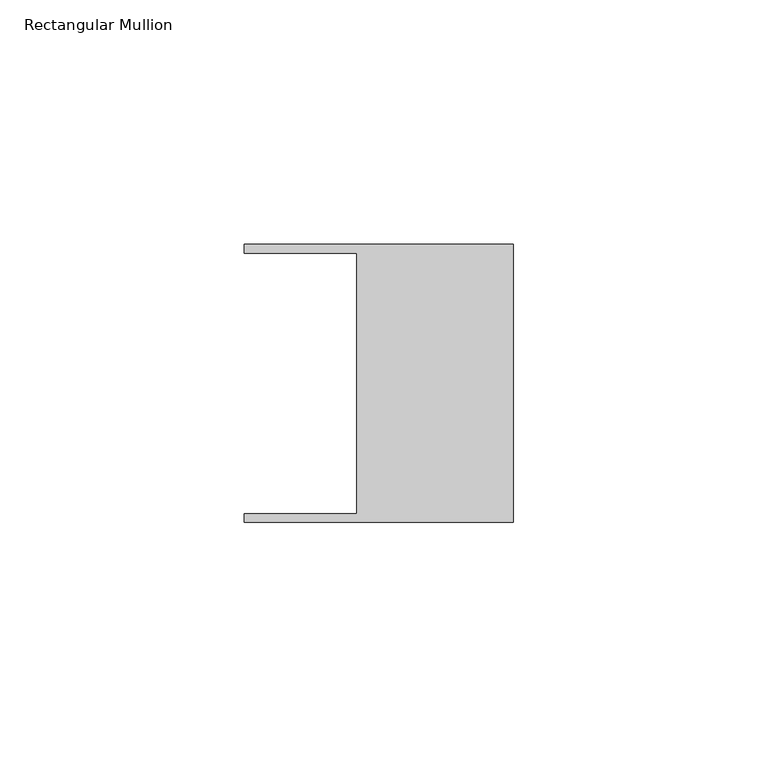
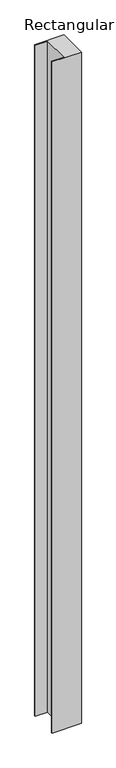
"""IFC4 building model written with IfcOpenShell, lengths in millimetres: member geometry, Rectangular Mullion."""

from ifc_helpers import new_model, si_unit, frame, origin, place, context, project, spatial, polyline, outline, extrude, source, transform, mapped, element, save


def rectangular_mullion_58a9d05e(model_context):
    return source(origin(), model_context, "Body", "SweptSolid", [
        extrude(outline(polyline([(-32.004, 26.67), (-54.991, 26.67), (-54.991, 28.448), (0.0, 28.448), (0.0, -28.448), (-54.991, -28.448), (-54.991, -26.67), (-32.004, -26.67), (-32.004, 26.67)])), frame((0.0, 0.0, -1335.3542), z_axis=(0.0, 0.0, 1.0), x_axis=(1.0, 0.0, 0.0)), (0.0, 0.0, 1.0), 1335.3542),
    ])


if __name__ == "__main__":
    model = new_model("IFC4")
    model_context = context("Model", 3, world=origin())
    ifc_project = project(units=[si_unit("LENGTHUNIT", "METRE", prefix="MILLI")], contexts=[model_context])
    site = spatial("IfcSite", under=ifc_project)
    building = spatial("IfcBuilding", under=site)
    placement = place(None, origin())
    rectangular_mullion_shape = rectangular_mullion_58a9d05e(model_context)
    element("IfcMember", 1, ObjectType="Rectangular Mullion", at=placement, inside=building, context=model_context, shape_type="MappedRepresentation", body=[
        mapped(rectangular_mullion_shape, transform((0.0, 0.0, 0.0), x_axis=(1.0, 0.0, 0.0), y_axis=(0.0, 1.0, 0.0), z_axis=(0.0, 0.0, 1.0))),
    ])
    save(model, "model.ifc")
